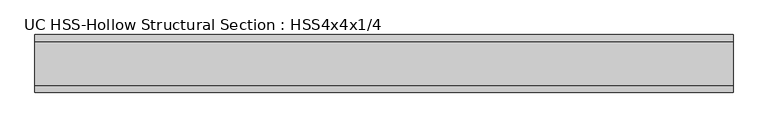
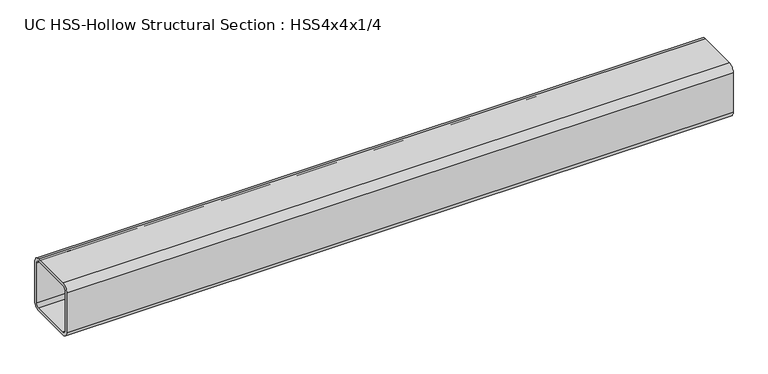
"""IFC4 building model written with IfcOpenShell, lengths in millimetres: beam geometry, UC HSS-Hollow Structural Section : HSS4x4x1/4."""

from ifc_helpers import new_model, si_unit, point, frame, frame_2d, origin, place, context, project, spatial, polyline, circle_curve, trimmed, segment, composite_curve, outline, extrude, source, transform, mapped, element, save


def uc_hss_hollow_structural_section_hss4x4x1_4_d2980c90(model_context):
    return source(origin(), model_context, "Body", "SweptSolid", [
        extrude(outline(composite_curve([segment(polyline([(50.8, 38.9636), (50.8, -38.9636)]), True, "CONTINUOUS"), segment(trimmed(circle_curve(frame_2d((38.9636, -38.9636)), 11.8364), [point((50.8, -38.9636))], [point((38.9636, -50.8))], False, "CARTESIAN"), True, "CONTINUOUS"), segment(polyline([(38.9636, -50.8), (-38.9636, -50.8)]), True, "CONTINUOUS"), segment(trimmed(circle_curve(frame_2d((-38.9636, -38.9636)), 11.8364), [point((-38.9636, -50.8))], [point((-50.8, -38.9636))], False, "CARTESIAN"), True, "CONTINUOUS"), segment(polyline([(-50.8, -38.9636), (-50.8, 38.9636)]), True, "CONTINUOUS"), segment(trimmed(circle_curve(frame_2d((-38.9636, 38.9636)), 11.8364), [point((-50.8, 38.9636))], [point((-38.9636, 50.8))], False, "CARTESIAN"), True, "CONTINUOUS"), segment(polyline([(-38.9636, 50.8), (38.9636, 50.8)]), True, "CONTINUOUS"), segment(trimmed(circle_curve(frame_2d((38.9636, 38.9636)), 11.8364), [point((38.9636, 50.8))], [point((50.8, 38.9636))], False, "CARTESIAN"), True, "CONTINUOUS")], self_intersect=False), holes=[composite_curve([segment(trimmed(circle_curve(frame_2d((-38.9636, 38.9636)), 5.9182), [point((-38.9636, 44.8818))], [point((-44.8818, 38.9636))], True, "CARTESIAN"), True, "CONTINUOUS"), segment(polyline([(-44.8818, 38.9636), (-44.8818, -38.9636)]), True, "CONTINUOUS"), segment(trimmed(circle_curve(frame_2d((-38.9636, -38.9636)), 5.9182), [point((-44.8818, -38.9636))], [point((-38.9636, -44.8818))], True, "CARTESIAN"), True, "CONTINUOUS"), segment(polyline([(-38.9636, -44.8818), (38.9636, -44.8818)]), True, "CONTINUOUS"), segment(trimmed(circle_curve(frame_2d((38.9636, -38.9636)), 5.9182), [point((38.9636, -44.8818))], [point((44.8818, -38.9636))], True, "CARTESIAN"), True, "CONTINUOUS"), segment(polyline([(44.8818, -38.9636), (44.8818, 38.9636)]), True, "CONTINUOUS"), segment(trimmed(circle_curve(frame_2d((38.9636, 38.9636)), 5.9182), [point((44.8818, 38.9636))], [point((38.9636, 44.8818))], True, "CARTESIAN"), True, "CONTINUOUS"), segment(polyline([(38.9636, 44.8818), (-38.9636, 44.8818)]), True, "CONTINUOUS")], self_intersect=False)]), frame((-533.4, 0.0, 0.0), z_axis=(1.0, 0.0, 0.0), x_axis=(0.0, 1.0, 0.0)), (0.0, 0.0, 1.0), 1231.4437559),
    ])


if __name__ == "__main__":
    model = new_model("IFC4")
    model_context = context("Model", 3, world=origin())
    ifc_project = project(units=[si_unit("LENGTHUNIT", "METRE", prefix="MILLI")], contexts=[model_context])
    site = spatial("IfcSite", under=ifc_project)
    building = spatial("IfcBuilding", under=site)
    placement = place(None, origin())
    uc_hss_hollow_structural_section_hss4x4x1_4_shape = uc_hss_hollow_structural_section_hss4x4x1_4_d2980c90(model_context)
    element("IfcBeam", 1, ObjectType="UC HSS-Hollow Structural Section : HSS4x4x1/4", at=placement, inside=building, context=model_context, shape_type="MappedRepresentation", body=[
        mapped(uc_hss_hollow_structural_section_hss4x4x1_4_shape, transform((0.0, 0.0, 0.0), x_axis=(1.0, 0.0, 0.0), y_axis=(0.0, 1.0, 0.0), z_axis=(0.0, 0.0, 1.0))),
    ])
    save(model, "model.ifc")
